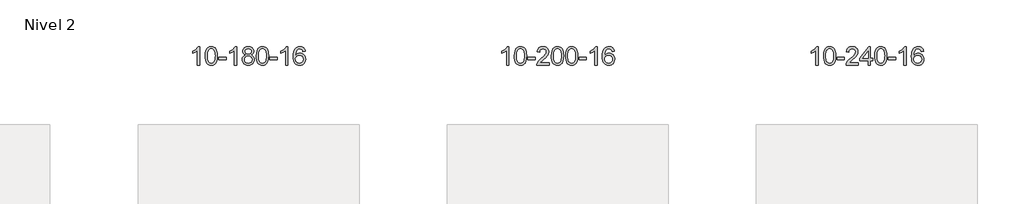
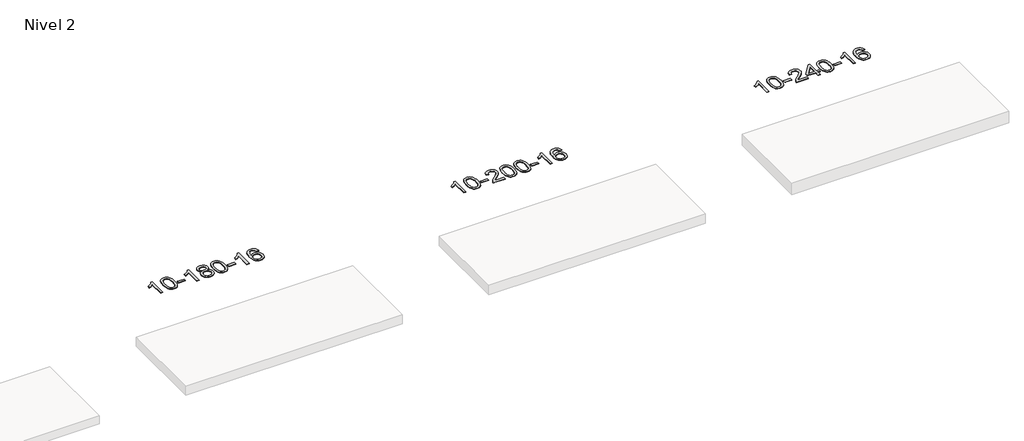
# One storey, part 51 of 51: 3 proxies.
"""IFC4 building model written with IfcOpenShell, lengths in millimetres."""

from ifc_helpers import new_model, si_unit, frame, origin, place, context, project, spatial, polyline, outline, extrude, element, save

model = new_model("IFC4")

# Units and contexts
model_context = context("Model", 3, world=origin())
ifc_project = project(units=[si_unit("LENGTHUNIT", "METRE", prefix="MILLI")], contexts=[model_context])

# Site, building, storey
site = spatial("IfcSite", under=ifc_project)
building = spatial("IfcBuilding", under=site)
storey = spatial("IfcBuildingStorey", under=building, Name="Nivel 2", Elevation=3000.0)

# Proxies
placement = place(None, origin())
element("IfcBuildingElementProxy", 1, Name="Texto de modelo 1", ObjectType="Texto de modelo 1", at=placement, inside=storey, context=model_context, shape_type="SweptSolid", body=[
    extrude(outline(polyline([(44960.4349539, 6619.2174648), (44910.2067988, 6619.2174648), (44910.2067988, 6932.3586191), (44889.2375251, 6915.3992591), (44862.6273941, 6898.4644246), (44809.7504886, 6873.1050924), (44809.7504886, 6920.5863952), (44849.1997013, 6942.0461783), (44883.3759386, 6967.5771887), (44910.3171634, 6994.72688), (44928.0613383, 7021.0427054), (44960.4349539, 7021.0427054), (44960.4349539, 6619.2174648)])), frame((0.0, 0.0, 3000.0), z_axis=(0.0, 0.0, 1.0), x_axis=(1.0, 0.0, 0.0)), (0.0, 0.0, 1.0), 10.0),
    extrude(outline(polyline([(45079.7268222, 6816.8927235), (45083.4179048, 6881.210759), (45094.4911529, 6932.5057719), (45112.8362017, 6971.562577), (45124.6942647, 6986.7959573), (45138.3426867, 6999.1659894), (45153.827453, 7008.7370526), (45171.1945489, 7015.5735264), (45211.5757292, 7021.0427054), (45242.5268678, 7017.8053438), (45270.2406447, 7008.0932591), (45293.4172104, 6992.2865961), (45310.7567151, 6970.7654994), (45323.8533142, 6943.71391), (45334.3011628, 6911.3157689), (45341.1437679, 6870.1742991), (45343.4246363, 6816.8927235), (45339.7703418, 6752.94257), (45328.8074584, 6701.7701845), (45310.5727741, 6662.6765911), (45298.7423023, 6647.3972256), (45285.1030773, 6634.9628142), (45269.5999169, 6625.3273716), (45252.1776388, 6618.4449126), (45211.5757292, 6612.9389454), (45183.9110032, 6615.3301783), (45159.3855369, 6622.5038773), (45137.9993302, 6634.4600421), (45119.7523832, 6651.1986729), (45102.2412003, 6681.456967), (45089.7332124, 6719.1587401), (45082.2284197, 6764.3039923), (45079.7268222, 6816.8927235)]), holes=[polyline([(45129.9549772, 6816.9908254), (45131.4265052, 6773.3262982), (45135.8410892, 6737.9820355), (45143.1987291, 6710.9580373), (45153.4994249, 6692.2543035), (45165.9583618, 6679.5286522), (45179.7907249, 6670.4389012), (45194.996514, 6664.9850506), (45211.5757292, 6663.1671005), (45228.1549445, 6664.991182), (45243.3607336, 6670.4634267), (45257.1930966, 6679.5838345), (45269.6520335, 6692.3524054), (45279.9527294, 6711.086796), (45287.3103693, 6738.1046629), (45291.7249533, 6773.406006), (45293.1964812, 6816.9908254), (45291.7740042, 6859.4995899), (45287.506573, 6894.2215189), (45280.3941878, 6921.1566123), (45270.4368485, 6940.3048702), (45258.186378, 6953.6528552), (45244.1945995, 6963.1871303), (45228.4615128, 6968.9076953), (45210.987118, 6970.8145503), (45194.4937419, 6969.1345558), (45179.5454702, 6964.0945725), (45166.1423028, 6955.6946003), (45154.2842399, 6943.9346392), (45143.6401875, 6923.0879928), (45136.0372929, 6894.9818083), (45131.4755562, 6859.6160859), (45129.9549772, 6816.9908254)])]), frame((0.0, 0.0, 3000.0), z_axis=(0.0, 0.0, 1.0), x_axis=(1.0, 0.0, 0.0)), (0.0, 0.0, 1.0), 10.0),
    extrude(outline(polyline([(45374.8172332, 6738.5093331), (45374.8172332, 6788.7374881), (45531.7802178, 6788.7374881), (45531.7802178, 6738.5093331), (45374.8172332, 6738.5093331)])), frame((0.0, 0.0, 3000.0), z_axis=(0.0, 0.0, 1.0), x_axis=(1.0, 0.0, 0.0)), (0.0, 0.0, 1.0), 10.0),
    extrude(outline(polyline([(45764.0854351, 6619.2174648), (45713.85728, 6619.2174648), (45713.85728, 6932.3586191), (45692.8880063, 6915.3992591), (45666.2778753, 6898.4644246), (45613.4009698, 6873.1050924), (45613.4009698, 6920.5863952), (45652.8501824, 6942.0461783), (45687.0264198, 6967.5771887), (45713.9676446, 6994.72688), (45731.7118195, 7021.0427054), (45764.0854351, 7021.0427054), (45764.0854351, 6619.2174648)])), frame((0.0, 0.0, 3000.0), z_axis=(0.0, 0.0, 1.0), x_axis=(1.0, 0.0, 0.0)), (0.0, 0.0, 1.0), 10.0),
    extrude(outline(polyline([(45956.5612949, 6840.5352731), (45929.6691211, 6853.7790249), (45910.7967747, 6871.7316663), (45899.6499503, 6894.0253152), (45895.9343421, 6920.2920896), (45897.9576931, 6940.7769854), (45904.027746, 6959.5573612), (45914.1445009, 6976.6332172), (45928.3079577, 6992.0045532), (45945.8375348, 7004.7087448), (45966.0526504, 7013.7831673), (45988.9533046, 7019.2278209), (46014.5394974, 7021.0427054), (46040.2483175, 7019.1849013), (46063.3206499, 7013.6114891), (46083.7564948, 7004.3224687), (46101.555852, 6991.3178402), (46115.9768262, 6975.6460672), (46126.277522, 6958.3556134), (46132.4579396, 6939.4464788), (46134.5180787, 6918.9186635), (46130.8515215, 6893.4980176), (46119.8518499, 6871.5845135), (46101.3964364, 6853.7422367), (46075.3626539, 6840.5352731), (46106.2770042, 6824.6059827), (46128.7791196, 6801.1473741), (46142.501118, 6771.2876188), (46147.0751175, 6736.1548883), (46144.8065119, 6711.1021244), (46138.000695, 6688.1340252), (46126.6576668, 6667.2505906), (46110.7774273, 6648.4518206), (46091.1938424, 6632.9149377), (46068.740778, 6621.8171642), (46043.418234, 6615.1585001), (46015.2262104, 6612.9389454), (45987.0341869, 6615.1676971), (45961.7116429, 6621.8539524), (45939.2585784, 6632.9977112), (45919.6749936, 6648.5989734), (45903.7947541, 6667.5295678), (45892.4517259, 6688.6613227), (45885.645909, 6711.9942383), (45883.3773034, 6737.5283144), (45888.1352438, 6774.0222083), (45902.4090652, 6804.0413791), (45925.4630036, 6826.5557572), (45956.5612949, 6840.5352731)]), holes=[polyline([(45946.1624972, 6918.8205616), (45950.6138693, 6896.8947947), (45963.9679858, 6879.3836118), (45985.832439, 6867.9056935), (46015.8148216, 6864.0797208), (46045.0982284, 6867.881168), (46066.6315879, 6879.2855099), (46079.8753397, 6896.2080817), (46084.2899237, 6916.5642187), (46079.7281869, 6937.692908), (46066.0429767, 6955.1673028), (46044.2153117, 6966.9027384), (46015.2262104, 6970.8145503), (45986.0531682, 6966.9885775), (45964.2622914, 6955.5106593), (45950.6874457, 6938.6861894), (45946.1624972, 6918.8205616)]), polyline([(45933.6054584, 6739.294148), (45935.7023858, 6720.0784451), (45941.9931679, 6701.4758789), (45953.6059762, 6685.2522829), (45971.6689822, 6673.1734907), (45993.3004435, 6665.668698), (46015.6186179, 6663.1671005), (46049.807118, 6668.427813), (46063.7007947, 6675.0037036), (46075.4607558, 6684.2099506), (46091.5004108, 6708.1100175), (46096.8469624, 6737.7245181), (46091.3287325, 6767.8417908), (46074.7740427, 6792.2691553), (46062.6952505, 6801.7114598), (46048.5317937, 6808.4559631), (46013.9508862, 6813.8515657), (45980.2406327, 6808.5295395), (45966.5033059, 6801.8770067), (45954.8445123, 6792.5634609), (45938.9152219, 6768.6020803), (45933.6054584, 6739.294148)])]), frame((0.0, 0.0, 3000.0), z_axis=(0.0, 0.0, 1.0), x_axis=(1.0, 0.0, 0.0)), (0.0, 0.0, 1.0), 10.0),
    extrude(outline(polyline([(46191.0247532, 6816.8927235), (46194.7158359, 6881.210759), (46205.7890839, 6932.5057719), (46224.1341328, 6971.562577), (46235.9921957, 6986.7959573), (46249.6406178, 6999.1659894), (46265.1253841, 7008.7370526), (46282.4924799, 7015.5735264), (46322.8736603, 7021.0427054), (46353.8247988, 7017.8053438), (46381.5385758, 7008.0932591), (46404.7151415, 6992.2865961), (46422.0546462, 6970.7654994), (46435.1512452, 6943.71391), (46445.5990939, 6911.3157689), (46452.441699, 6870.1742991), (46454.7225673, 6816.8927235), (46451.0682729, 6752.94257), (46440.1053894, 6701.7701845), (46421.8707052, 6662.6765911), (46410.0402333, 6647.3972256), (46396.4010084, 6634.9628142), (46380.897848, 6625.3273716), (46363.4755698, 6618.4449126), (46322.8736603, 6612.9389454), (46295.2089342, 6615.3301783), (46270.6834679, 6622.5038773), (46249.2972612, 6634.4600421), (46231.0503143, 6651.1986729), (46213.5391313, 6681.456967), (46201.0311435, 6719.1587401), (46193.5263508, 6764.3039923), (46191.0247532, 6816.8927235)]), holes=[polyline([(46241.2529083, 6816.9908254), (46242.7244362, 6773.3262982), (46247.1390202, 6737.9820355), (46254.4966601, 6710.9580373), (46264.797356, 6692.2543035), (46277.2562929, 6679.5286522), (46291.0886559, 6670.4389012), (46306.294445, 6664.9850506), (46322.8736603, 6663.1671005), (46339.4528755, 6664.991182), (46354.6586646, 6670.4634267), (46368.4910277, 6679.5838345), (46380.9499646, 6692.3524054), (46391.2506604, 6711.086796), (46398.6083003, 6738.1046629), (46403.0228843, 6773.406006), (46404.4944123, 6816.9908254), (46403.0719352, 6859.4995899), (46398.8045041, 6894.2215189), (46391.6921188, 6921.1566123), (46381.7347795, 6940.3048702), (46369.4843091, 6953.6528552), (46355.4925305, 6963.1871303), (46339.7594438, 6968.9076953), (46322.2850491, 6970.8145503), (46305.791673, 6969.1345558), (46290.8434012, 6964.0945725), (46277.4402339, 6955.6946003), (46265.5821709, 6943.9346392), (46254.9381185, 6923.0879928), (46247.3352239, 6894.9818083), (46242.7734872, 6859.6160859), (46241.2529083, 6816.9908254)])]), frame((0.0, 0.0, 3000.0), z_axis=(0.0, 0.0, 1.0), x_axis=(1.0, 0.0, 0.0)), (0.0, 0.0, 1.0), 10.0),
    extrude(outline(polyline([(46486.1151643, 6738.5093331), (46486.1151643, 6788.7374881), (46643.0781489, 6788.7374881), (46643.0781489, 6738.5093331), (46486.1151643, 6738.5093331)])), frame((0.0, 0.0, 3000.0), z_axis=(0.0, 0.0, 1.0), x_axis=(1.0, 0.0, 0.0)), (0.0, 0.0, 1.0), 10.0),
    extrude(outline(polyline([(46875.3833661, 6619.2174648), (46825.155211, 6619.2174648), (46825.155211, 6932.3586191), (46804.1859373, 6915.3992591), (46777.5758063, 6898.4644246), (46724.6989009, 6873.1050924), (46724.6989009, 6920.5863952), (46764.1481135, 6942.0461783), (46798.3243508, 6967.5771887), (46825.2655756, 6994.72688), (46843.0097505, 7021.0427054), (46875.3833661, 7021.0427054), (46875.3833661, 6619.2174648)])), frame((0.0, 0.0, 3000.0), z_axis=(0.0, 0.0, 1.0), x_axis=(1.0, 0.0, 0.0)), (0.0, 0.0, 1.0), 10.0),
    extrude(outline(polyline([(47252.0945291, 6914.3078758), (47201.8663741, 6908.0293564), (47193.7729702, 6932.9227048), (47182.8346122, 6949.918853), (47160.050454, 6965.590626), (47132.5083552, 6970.8145503), (47109.1601113, 6967.7733925), (47087.1852934, 6958.649919), (47068.3129471, 6939.4342161), (47052.8986915, 6912.9835006), (47042.487631, 6875.5699017), (47038.6248701, 6823.4655485), (47058.7725407, 6846.973208), (47082.9178623, 6863.5401605), (47109.7119343, 6873.3626098), (47137.805856, 6876.6367595), (47161.9389149, 6874.3988107), (47184.2080383, 6867.6849643), (47204.6132263, 6856.4952203), (47223.1544789, 6840.8295787), (47238.5626031, 6821.6200071), (47249.5684061, 6799.7984735), (47256.1718879, 6775.3649776), (47258.3730485, 6748.3195196), (47254.2282447, 6712.3529232), (47241.7938333, 6679.0105517), (47222.0998838, 6650.732689), (47196.1764659, 6629.959619), (47165.2008019, 6617.1941138), (47130.3501142, 6612.9389454), (47100.4075855, 6615.759374), (47073.3651932, 6624.2206599), (47049.2229372, 6638.322803), (47027.9808177, 6658.0658035), (47010.6627728, 6684.283527), (46998.2927407, 6717.8098395), (46990.8707214, 6758.6447409), (46988.396715, 6806.7882314), (46991.1435672, 6860.7626514), (46999.3841239, 6906.8276086), (47013.1183851, 6944.9831029), (47032.3463507, 6975.2291342), (47053.1868657, 6995.2725716), (47077.3505814, 7009.5893126), (47104.8374978, 7018.1793572), (47135.6476149, 7021.0427054), (47158.7812611, 7019.2707404), (47179.719878, 7013.9548456), (47198.4634656, 7005.0950209), (47215.012024, 6992.6912663), (47228.9179635, 6977.1605147), (47239.7336941, 6958.9196991), (47247.459216, 6937.9688195), (47252.0945291, 6914.3078758)]), holes=[polyline([(47038.6248701, 6749.1043345), (47041.5311378, 6726.8474738), (47050.2499411, 6705.5961572), (47063.7879986, 6687.3246848), (47081.1520287, 6674.0073566), (47102.1090397, 6665.8771645), (47126.4260396, 6663.1671005), (47159.5722074, 6668.7834322), (47173.4873438, 6675.803847), (47185.6305154, 6685.6324276), (47195.4805558, 6697.8706353), (47202.5162989, 6712.1199313), (47208.1448935, 6746.6517879), (47202.5898753, 6779.7979557), (47195.6461027, 6793.4187865), (47185.9248209, 6805.0714487), (47173.7448612, 6814.4064544), (47159.4250546, 6821.0743155), (47124.3659004, 6826.4086044), (47091.2687836, 6821.0743155), (47063.5917948, 6805.0714487), (47052.6687652, 6793.5720707), (47044.8666013, 6780.4110923), (47040.1853029, 6765.5885136), (47038.6248701, 6749.1043345)])]), frame((0.0, 0.0, 3000.0), z_axis=(0.0, 0.0, 1.0), x_axis=(1.0, 0.0, 0.0)), (0.0, 0.0, 1.0), 10.0),
])
element("IfcBuildingElementProxy", 2, Name="Texto de modelo 1", ObjectType="Texto de modelo 1", at=placement, inside=storey, context=model_context, shape_type="SweptSolid", body=[
    extrude(outline(polyline([(51675.3754887, 6619.2174648), (51625.1473336, 6619.2174648), (51625.1473336, 6932.3586191), (51604.1780599, 6915.3992591), (51577.5679289, 6898.4644246), (51524.6910235, 6873.1050924), (51524.6910235, 6920.5863952), (51564.1402361, 6942.0461783), (51598.3164734, 6967.5771887), (51625.2576982, 6994.72688), (51643.0018731, 7021.0427054), (51675.3754887, 7021.0427054), (51675.3754887, 6619.2174648)])), frame((0.0, 0.0, 3000.0), z_axis=(0.0, 0.0, 1.0), x_axis=(1.0, 0.0, 0.0)), (0.0, 0.0, 1.0), 10.0),
    extrude(outline(polyline([(51794.667357, 6816.8927235), (51798.3584397, 6881.210759), (51809.4316877, 6932.5057719), (51827.7767366, 6971.562577), (51839.6347995, 6986.7959573), (51853.2832216, 6999.1659894), (51868.7679879, 7008.7370526), (51886.1350837, 7015.5735264), (51926.5162641, 7021.0427054), (51957.4674026, 7017.8053438), (51985.1811796, 7008.0932591), (52008.3577453, 6992.2865961), (52025.69725, 6970.7654994), (52038.793849, 6943.71391), (52049.2416976, 6911.3157689), (52056.0843028, 6870.1742991), (52058.3651711, 6816.8927235), (52054.7108766, 6752.94257), (52043.7479932, 6701.7701845), (52025.513309, 6662.6765911), (52013.6828371, 6647.3972256), (52000.0436122, 6634.9628142), (51984.5404517, 6625.3273716), (51967.1181736, 6618.4449126), (51926.5162641, 6612.9389454), (51898.851538, 6615.3301783), (51874.3260717, 6622.5038773), (51852.939865, 6634.4600421), (51834.6929181, 6651.1986729), (51817.1817351, 6681.456967), (51804.6737473, 6719.1587401), (51797.1689546, 6764.3039923), (51794.667357, 6816.8927235)]), holes=[polyline([(51844.8955121, 6816.9908254), (51846.36704, 6773.3262982), (51850.781624, 6737.9820355), (51858.1392639, 6710.9580373), (51868.4399598, 6692.2543035), (51880.8988967, 6679.5286522), (51894.7312597, 6670.4389012), (51909.9370488, 6664.9850506), (51926.5162641, 6663.1671005), (51943.0954793, 6664.991182), (51958.3012684, 6670.4634267), (51972.1336315, 6679.5838345), (51984.5925684, 6692.3524054), (51994.8932642, 6711.086796), (52002.2509041, 6738.1046629), (52006.6654881, 6773.406006), (52008.1370161, 6816.9908254), (52006.714539, 6859.4995899), (52002.4471079, 6894.2215189), (51995.3347226, 6921.1566123), (51985.3773833, 6940.3048702), (51973.1269128, 6953.6528552), (51959.1351343, 6963.1871303), (51943.4020476, 6968.9076953), (51925.9276529, 6970.8145503), (51909.4342767, 6969.1345558), (51894.486005, 6964.0945725), (51881.0828377, 6955.6946003), (51869.2247747, 6943.9346392), (51858.5807223, 6923.0879928), (51850.9778277, 6894.9818083), (51846.416091, 6859.6160859), (51844.8955121, 6816.9908254)])]), frame((0.0, 0.0, 3000.0), z_axis=(0.0, 0.0, 1.0), x_axis=(1.0, 0.0, 0.0)), (0.0, 0.0, 1.0), 10.0),
    extrude(outline(polyline([(52089.7577681, 6738.5093331), (52089.7577681, 6788.7374881), (52246.7207527, 6788.7374881), (52246.7207527, 6738.5093331), (52089.7577681, 6738.5093331)])), frame((0.0, 0.0, 3000.0), z_axis=(0.0, 0.0, 1.0), x_axis=(1.0, 0.0, 0.0)), (0.0, 0.0, 1.0), 10.0),
    extrude(outline(polyline([(52548.0896831, 6669.4456198), (52548.0896831, 6619.2174648), (52284.391869, 6619.2174648), (52285.495515, 6636.900326), (52289.7874716, 6653.8474232), (52302.1728321, 6680.9112754), (52320.2971517, 6707.1657871), (52346.5148752, 6734.6465721), (52383.1804474, 6765.3892442), (52437.381728, 6813.5327346), (52469.9024964, 6849.0701353), (52486.1628806, 6877.9120838), (52491.5830087, 6905.9692173), (52486.4694489, 6931.120083), (52471.1287697, 6952.0280431), (52447.5475338, 6966.1179235), (52417.712304, 6970.8145503), (52386.3810208, 6966.2282881), (52362.0394954, 6952.4695015), (52346.3309342, 6930.6173109), (52340.8985434, 6901.7508371), (52290.6703884, 6908.0293564), (52294.9899361, 6933.9589057), (52302.8472824, 6956.6143053), (52314.2424272, 6975.9955551), (52329.1753705, 6992.1026551), (52347.3027558, 7004.7639271), (52368.2812266, 7013.8076928), (52392.1107828, 7019.2339522), (52418.7914245, 7021.0427054), (52445.7111895, 7019.0316171), (52469.6695045, 7012.9983524), (52490.6663693, 7002.9429112), (52508.7017842, 6988.8652935), (52523.1871377, 6971.8078317), (52533.5338188, 6952.812858), (52539.7418275, 6931.8803725), (52541.8111637, 6909.0103751), (52539.5793463, 6884.9876808), (52532.883894, 6861.3819195), (52521.0013055, 6837.3714879), (52503.2080797, 6812.134783), (52474.8443779, 6782.0052476), (52431.2503614, 6743.3163245), (52373.4683627, 6695.0011558), (52350.8068318, 6669.4456198), (52548.0896831, 6669.4456198)])), frame((0.0, 0.0, 3000.0), z_axis=(0.0, 0.0, 1.0), x_axis=(1.0, 0.0, 0.0)), (0.0, 0.0, 1.0), 10.0),
    extrude(outline(polyline([(52598.3178382, 6816.8927235), (52602.0089209, 6881.210759), (52613.0821689, 6932.5057719), (52631.4272178, 6971.562577), (52643.2852807, 6986.7959573), (52656.9337027, 6999.1659894), (52672.4184691, 7008.7370526), (52689.7855649, 7015.5735264), (52730.1667453, 7021.0427054), (52761.1178838, 7017.8053438), (52788.8316608, 7008.0932591), (52812.0082264, 6992.2865961), (52829.3477312, 6970.7654994), (52842.4443302, 6943.71391), (52852.8921788, 6911.3157689), (52859.734784, 6870.1742991), (52862.0156523, 6816.8927235), (52858.3613578, 6752.94257), (52847.3984744, 6701.7701845), (52829.1637902, 6662.6765911), (52817.3333183, 6647.3972256), (52803.6940934, 6634.9628142), (52788.1909329, 6625.3273716), (52770.7686548, 6618.4449126), (52730.1667453, 6612.9389454), (52702.5020192, 6615.3301783), (52677.9765529, 6622.5038773), (52656.5903462, 6634.4600421), (52638.3433993, 6651.1986729), (52620.8322163, 6681.456967), (52608.3242285, 6719.1587401), (52600.8194358, 6764.3039923), (52598.3178382, 6816.8927235)]), holes=[polyline([(52648.5459933, 6816.9908254), (52650.0175212, 6773.3262982), (52654.4321052, 6737.9820355), (52661.7897451, 6710.9580373), (52672.090441, 6692.2543035), (52684.5493779, 6679.5286522), (52698.3817409, 6670.4389012), (52713.58753, 6664.9850506), (52730.1667453, 6663.1671005), (52746.7459605, 6664.991182), (52761.9517496, 6670.4634267), (52775.7841127, 6679.5838345), (52788.2430496, 6692.3524054), (52798.5437454, 6711.086796), (52805.9013853, 6738.1046629), (52810.3159693, 6773.406006), (52811.7874973, 6816.9908254), (52810.3650202, 6859.4995899), (52806.0975891, 6894.2215189), (52798.9852038, 6921.1566123), (52789.0278645, 6940.3048702), (52776.777394, 6953.6528552), (52762.7856155, 6963.1871303), (52747.0525288, 6968.9076953), (52729.5781341, 6970.8145503), (52713.0847579, 6969.1345558), (52698.1364862, 6964.0945725), (52684.7333189, 6955.6946003), (52672.8752559, 6943.9346392), (52662.2312035, 6923.0879928), (52654.6283089, 6894.9818083), (52650.0665722, 6859.6160859), (52648.5459933, 6816.9908254)])]), frame((0.0, 0.0, 3000.0), z_axis=(0.0, 0.0, 1.0), x_axis=(1.0, 0.0, 0.0)), (0.0, 0.0, 1.0), 10.0),
    extrude(outline(polyline([(52905.965288, 6816.8927235), (52909.6563707, 6881.210759), (52920.7296188, 6932.5057719), (52939.0746676, 6971.562577), (52950.9327306, 6986.7959573), (52964.5811526, 6999.1659894), (52980.0659189, 7008.7370526), (52997.4330148, 7015.5735264), (53037.8141951, 7021.0427054), (53068.7653336, 7017.8053438), (53096.4791106, 7008.0932591), (53119.6556763, 6992.2865961), (53136.995181, 6970.7654994), (53150.09178, 6943.71391), (53160.5396287, 6911.3157689), (53167.3822338, 6870.1742991), (53169.6631022, 6816.8927235), (53166.0088077, 6752.94257), (53155.0459242, 6701.7701845), (53136.81124, 6662.6765911), (53124.9807682, 6647.3972256), (53111.3415432, 6634.9628142), (53095.8383828, 6625.3273716), (53078.4161046, 6618.4449126), (53037.8141951, 6612.9389454), (53010.1494691, 6615.3301783), (52985.6240027, 6622.5038773), (52964.2377961, 6634.4600421), (52945.9908491, 6651.1986729), (52928.4796661, 6681.456967), (52915.9716783, 6719.1587401), (52908.4668856, 6764.3039923), (52905.965288, 6816.8927235)]), holes=[polyline([(52956.1934431, 6816.9908254), (52957.6649711, 6773.3262982), (52962.079555, 6737.9820355), (52969.4371949, 6710.9580373), (52979.7378908, 6692.2543035), (52992.1968277, 6679.5286522), (53006.0291907, 6670.4389012), (53021.2349798, 6664.9850506), (53037.8141951, 6663.1671005), (53054.3934103, 6664.991182), (53069.5991995, 6670.4634267), (53083.4315625, 6679.5838345), (53095.8904994, 6692.3524054), (53106.1911953, 6711.086796), (53113.5488352, 6738.1046629), (53117.9634191, 6773.406006), (53119.4349471, 6816.9908254), (53118.01247, 6859.4995899), (53113.7450389, 6894.2215189), (53106.6326537, 6921.1566123), (53096.6753143, 6940.3048702), (53084.4248439, 6953.6528552), (53070.4330653, 6963.1871303), (53054.6999787, 6968.9076953), (53037.2255839, 6970.8145503), (53020.7322078, 6969.1345558), (53005.783936, 6964.0945725), (52992.3807687, 6955.6946003), (52980.5227057, 6943.9346392), (52969.8786533, 6923.0879928), (52962.2757587, 6894.9818083), (52957.714022, 6859.6160859), (52956.1934431, 6816.9908254)])]), frame((0.0, 0.0, 3000.0), z_axis=(0.0, 0.0, 1.0), x_axis=(1.0, 0.0, 0.0)), (0.0, 0.0, 1.0), 10.0),
    extrude(outline(polyline([(53201.0556991, 6738.5093331), (53201.0556991, 6788.7374881), (53358.0186837, 6788.7374881), (53358.0186837, 6738.5093331), (53201.0556991, 6738.5093331)])), frame((0.0, 0.0, 3000.0), z_axis=(0.0, 0.0, 1.0), x_axis=(1.0, 0.0, 0.0)), (0.0, 0.0, 1.0), 10.0),
    extrude(outline(polyline([(53590.3239009, 6619.2174648), (53540.0957458, 6619.2174648), (53540.0957458, 6932.3586191), (53519.1264721, 6915.3992591), (53492.5163411, 6898.4644246), (53439.6394357, 6873.1050924), (53439.6394357, 6920.5863952), (53479.0886483, 6942.0461783), (53513.2648857, 6967.5771887), (53540.2061104, 6994.72688), (53557.9502853, 7021.0427054), (53590.3239009, 7021.0427054), (53590.3239009, 6619.2174648)])), frame((0.0, 0.0, 3000.0), z_axis=(0.0, 0.0, 1.0), x_axis=(1.0, 0.0, 0.0)), (0.0, 0.0, 1.0), 10.0),
    extrude(outline(polyline([(53967.035064, 6914.3078758), (53916.8069089, 6908.0293564), (53908.713505, 6932.9227048), (53897.775147, 6949.918853), (53874.9909888, 6965.590626), (53847.4488901, 6970.8145503), (53824.1006461, 6967.7733925), (53802.1258283, 6958.649919), (53783.2534819, 6939.4342161), (53767.8392263, 6912.9835006), (53757.4281659, 6875.5699017), (53753.5654049, 6823.4655485), (53773.7130755, 6846.973208), (53797.8583971, 6863.5401605), (53824.6524691, 6873.3626098), (53852.7463908, 6876.6367595), (53876.8794497, 6874.3988107), (53899.1485731, 6867.6849643), (53919.5537611, 6856.4952203), (53938.0950137, 6840.8295787), (53953.5031379, 6821.6200071), (53964.5089409, 6799.7984735), (53971.1124228, 6775.3649776), (53973.3135834, 6748.3195196), (53969.1687795, 6712.3529232), (53956.7343681, 6679.0105517), (53937.0404186, 6650.732689), (53911.1170007, 6629.959619), (53880.1413367, 6617.1941138), (53845.290649, 6612.9389454), (53815.3481203, 6615.759374), (53788.305728, 6624.2206599), (53764.163472, 6638.322803), (53742.9213525, 6658.0658035), (53725.6033076, 6684.283527), (53713.2332755, 6717.8098395), (53705.8112562, 6758.6447409), (53703.3372498, 6806.7882314), (53706.0841021, 6860.7626514), (53714.3246588, 6906.8276086), (53728.0589199, 6944.9831029), (53747.2868855, 6975.2291342), (53768.1274005, 6995.2725716), (53792.2911163, 7009.5893126), (53819.7780327, 7018.1793572), (53850.5881498, 7021.0427054), (53873.7217959, 7019.2707404), (53894.6604128, 7013.9548456), (53913.4040004, 7005.0950209), (53929.9525589, 6992.6912663), (53943.8584983, 6977.1605147), (53954.6742289, 6958.9196991), (53962.3997508, 6937.9688195), (53967.035064, 6914.3078758)]), holes=[polyline([(53753.5654049, 6749.1043345), (53756.4716727, 6726.8474738), (53765.190476, 6705.5961572), (53778.7285334, 6687.3246848), (53796.0925635, 6674.0073566), (53817.0495745, 6665.8771645), (53841.3665744, 6663.1671005), (53874.5127422, 6668.7834322), (53888.4278787, 6675.803847), (53900.5710502, 6685.6324276), (53910.4210906, 6697.8706353), (53917.4568338, 6712.1199313), (53923.0854283, 6746.6517879), (53917.5304102, 6779.7979557), (53910.5866375, 6793.4187865), (53900.8653558, 6805.0714487), (53888.685396, 6814.4064544), (53874.3655894, 6821.0743155), (53839.3064352, 6826.4086044), (53806.2093184, 6821.0743155), (53778.5323296, 6805.0714487), (53767.6093001, 6793.5720707), (53759.8071361, 6780.4110923), (53755.1258377, 6765.5885136), (53753.5654049, 6749.1043345)])]), frame((0.0, 0.0, 3000.0), z_axis=(0.0, 0.0, 1.0), x_axis=(1.0, 0.0, 0.0)), (0.0, 0.0, 1.0), 10.0),
])
element("IfcBuildingElementProxy", 3, Name="Texto de modelo 1", ObjectType="Texto de modelo 1", at=placement, inside=storey, context=model_context, shape_type="SweptSolid", body=[
    extrude(outline(polyline([(58390.3160235, 6619.2174648), (58340.0878684, 6619.2174648), (58340.0878684, 6932.3586191), (58319.1185947, 6915.3992591), (58292.5084637, 6898.4644246), (58239.6315583, 6873.1050924), (58239.6315583, 6920.5863952), (58279.0807709, 6942.0461783), (58313.2570083, 6967.5771887), (58340.198233, 6994.72688), (58357.9424079, 7021.0427054), (58390.3160235, 7021.0427054), (58390.3160235, 6619.2174648)])), frame((0.0, 0.0, 3000.0), z_axis=(0.0, 0.0, 1.0), x_axis=(1.0, 0.0, 0.0)), (0.0, 0.0, 1.0), 10.0),
    extrude(outline(polyline([(58509.6078918, 6816.8927235), (58513.2989745, 6881.210759), (58524.3722226, 6932.5057719), (58542.7172714, 6971.562577), (58554.5753344, 6986.7959573), (58568.2237564, 6999.1659894), (58583.7085227, 7008.7370526), (58601.0756185, 7015.5735264), (58641.4567989, 7021.0427054), (58672.4079374, 7017.8053438), (58700.1217144, 7008.0932591), (58723.2982801, 6992.2865961), (58740.6377848, 6970.7654994), (58753.7343838, 6943.71391), (58764.1822325, 6911.3157689), (58771.0248376, 6870.1742991), (58773.305706, 6816.8927235), (58769.6514115, 6752.94257), (58758.688528, 6701.7701845), (58740.4538438, 6662.6765911), (58728.623372, 6647.3972256), (58714.984147, 6634.9628142), (58699.4809866, 6625.3273716), (58682.0587084, 6618.4449126), (58641.4567989, 6612.9389454), (58613.7920728, 6615.3301783), (58589.2666065, 6622.5038773), (58567.8803998, 6634.4600421), (58549.6334529, 6651.1986729), (58532.1222699, 6681.456967), (58519.6142821, 6719.1587401), (58512.1094894, 6764.3039923), (58509.6078918, 6816.8927235)]), holes=[polyline([(58559.8360469, 6816.9908254), (58561.3075749, 6773.3262982), (58565.7221588, 6737.9820355), (58573.0797987, 6710.9580373), (58583.3804946, 6692.2543035), (58595.8394315, 6679.5286522), (58609.6717945, 6670.4389012), (58624.8775836, 6664.9850506), (58641.4567989, 6663.1671005), (58658.0360141, 6664.991182), (58673.2418033, 6670.4634267), (58687.0741663, 6679.5838345), (58699.5331032, 6692.3524054), (58709.8337991, 6711.086796), (58717.191439, 6738.1046629), (58721.6060229, 6773.406006), (58723.0775509, 6816.9908254), (58721.6550738, 6859.4995899), (58717.3876427, 6894.2215189), (58710.2752574, 6921.1566123), (58700.3179181, 6940.3048702), (58688.0674477, 6953.6528552), (58674.0756691, 6963.1871303), (58658.3425825, 6968.9076953), (58640.8681877, 6970.8145503), (58624.3748116, 6969.1345558), (58609.4265398, 6964.0945725), (58596.0233725, 6955.6946003), (58584.1653095, 6943.9346392), (58573.5212571, 6923.0879928), (58565.9183625, 6894.9818083), (58561.3566258, 6859.6160859), (58559.8360469, 6816.9908254)])]), frame((0.0, 0.0, 3000.0), z_axis=(0.0, 0.0, 1.0), x_axis=(1.0, 0.0, 0.0)), (0.0, 0.0, 1.0), 10.0),
    extrude(outline(polyline([(58804.6983029, 6738.5093331), (58804.6983029, 6788.7374881), (58961.6612875, 6788.7374881), (58961.6612875, 6738.5093331), (58804.6983029, 6738.5093331)])), frame((0.0, 0.0, 3000.0), z_axis=(0.0, 0.0, 1.0), x_axis=(1.0, 0.0, 0.0)), (0.0, 0.0, 1.0), 10.0),
    extrude(outline(polyline([(59263.0302179, 6669.4456198), (59263.0302179, 6619.2174648), (58999.3324038, 6619.2174648), (59000.4360498, 6636.900326), (59004.7280064, 6653.8474232), (59017.1133669, 6680.9112754), (59035.2376865, 6707.1657871), (59061.45541, 6734.6465721), (59098.1209822, 6765.3892442), (59152.3222629, 6813.5327346), (59184.8430312, 6849.0701353), (59201.1034154, 6877.9120838), (59206.5235435, 6905.9692173), (59201.4099837, 6931.120083), (59186.0693045, 6952.0280431), (59162.4880687, 6966.1179235), (59132.6528388, 6970.8145503), (59101.3215556, 6966.2282881), (59076.9800302, 6952.4695015), (59061.271469, 6930.6173109), (59055.8390783, 6901.7508371), (59005.6109232, 6908.0293564), (59009.9304709, 6933.9589057), (59017.7878172, 6956.6143053), (59029.182962, 6975.9955551), (59044.1159053, 6992.1026551), (59062.2432906, 7004.7639271), (59083.2217614, 7013.8076928), (59107.0513177, 7019.2339522), (59133.7319594, 7021.0427054), (59160.6517244, 7019.0316171), (59184.6100393, 7012.9983524), (59205.6069042, 7002.9429112), (59223.642319, 6988.8652935), (59238.1276725, 6971.8078317), (59248.4743537, 6952.812858), (59254.6823623, 6931.8803725), (59256.7516985, 6909.0103751), (59254.5198811, 6884.9876808), (59247.8244288, 6861.3819195), (59235.9418404, 6837.3714879), (59218.1486145, 6812.134783), (59189.7849127, 6782.0052476), (59146.1908963, 6743.3163245), (59088.4088976, 6695.0011558), (59065.7473667, 6669.4456198), (59263.0302179, 6669.4456198)])), frame((0.0, 0.0, 3000.0), z_axis=(0.0, 0.0, 1.0), x_axis=(1.0, 0.0, 0.0)), (0.0, 0.0, 1.0), 10.0),
    extrude(outline(polyline([(59476.499877, 6619.2174648), (59476.499877, 6713.3952555), (59294.4228149, 6713.3952555), (59294.4228149, 6763.6234106), (59489.0569158, 7014.764186), (59526.7280321, 7014.764186), (59526.7280321, 6763.6234106), (59576.9561872, 6763.6234106), (59576.9561872, 6713.3952555), (59526.7280321, 6713.3952555), (59526.7280321, 6619.2174648), (59476.499877, 6619.2174648)]), holes=[polyline([(59476.499877, 6763.6234106), (59476.499877, 6918.8205616), (59356.22699, 6763.6234106), (59476.499877, 6763.6234106)])]), frame((0.0, 0.0, 3000.0), z_axis=(0.0, 0.0, 1.0), x_axis=(1.0, 0.0, 0.0)), (0.0, 0.0, 1.0), 10.0),
    extrude(outline(polyline([(59620.9058228, 6816.8927235), (59624.5969055, 6881.210759), (59635.6701536, 6932.5057719), (59654.0152024, 6971.562577), (59665.8732654, 6986.7959573), (59679.5216874, 6999.1659894), (59695.0064537, 7008.7370526), (59712.3735496, 7015.5735264), (59752.7547299, 7021.0427054), (59783.7058684, 7017.8053438), (59811.4196454, 7008.0932591), (59834.5962111, 6992.2865961), (59851.9357158, 6970.7654994), (59865.0323148, 6943.71391), (59875.4801635, 6911.3157689), (59882.3227686, 6870.1742991), (59884.603637, 6816.8927235), (59880.9493425, 6752.94257), (59869.986459, 6701.7701845), (59851.7517748, 6662.6765911), (59839.921303, 6647.3972256), (59826.282078, 6634.9628142), (59810.7789176, 6625.3273716), (59793.3566394, 6618.4449126), (59752.7547299, 6612.9389454), (59725.0900039, 6615.3301783), (59700.5645375, 6622.5038773), (59679.1783309, 6634.4600421), (59660.9313839, 6651.1986729), (59643.4202009, 6681.456967), (59630.9122131, 6719.1587401), (59623.4074204, 6764.3039923), (59620.9058228, 6816.8927235)]), holes=[polyline([(59671.1339779, 6816.9908254), (59672.6055059, 6773.3262982), (59677.0200898, 6737.9820355), (59684.3777297, 6710.9580373), (59694.6784256, 6692.2543035), (59707.1373625, 6679.5286522), (59720.9697255, 6670.4389012), (59736.1755147, 6664.9850506), (59752.7547299, 6663.1671005), (59769.3339452, 6664.991182), (59784.5397343, 6670.4634267), (59798.3720973, 6679.5838345), (59810.8310342, 6692.3524054), (59821.1317301, 6711.086796), (59828.48937, 6738.1046629), (59832.9039539, 6773.406006), (59834.3754819, 6816.9908254), (59832.9530049, 6859.4995899), (59828.6855737, 6894.2215189), (59821.5731885, 6921.1566123), (59811.6158491, 6940.3048702), (59799.3653787, 6953.6528552), (59785.3736002, 6963.1871303), (59769.6405135, 6968.9076953), (59752.1661187, 6970.8145503), (59735.6727426, 6969.1345558), (59720.7244709, 6964.0945725), (59707.3213035, 6955.6946003), (59695.4632405, 6943.9346392), (59684.8191881, 6923.0879928), (59677.2162936, 6894.9818083), (59672.6545568, 6859.6160859), (59671.1339779, 6816.9908254)])]), frame((0.0, 0.0, 3000.0), z_axis=(0.0, 0.0, 1.0), x_axis=(1.0, 0.0, 0.0)), (0.0, 0.0, 1.0), 10.0),
    extrude(outline(polyline([(59915.9962339, 6738.5093331), (59915.9962339, 6788.7374881), (60072.9592185, 6788.7374881), (60072.9592185, 6738.5093331), (59915.9962339, 6738.5093331)])), frame((0.0, 0.0, 3000.0), z_axis=(0.0, 0.0, 1.0), x_axis=(1.0, 0.0, 0.0)), (0.0, 0.0, 1.0), 10.0),
    extrude(outline(polyline([(60305.2644357, 6619.2174648), (60255.0362807, 6619.2174648), (60255.0362807, 6932.3586191), (60234.0670069, 6915.3992591), (60207.456876, 6898.4644246), (60154.5799705, 6873.1050924), (60154.5799705, 6920.5863952), (60194.0291831, 6942.0461783), (60228.2054205, 6967.5771887), (60255.1466453, 6994.72688), (60272.8908202, 7021.0427054), (60305.2644357, 7021.0427054), (60305.2644357, 6619.2174648)])), frame((0.0, 0.0, 3000.0), z_axis=(0.0, 0.0, 1.0), x_axis=(1.0, 0.0, 0.0)), (0.0, 0.0, 1.0), 10.0),
    extrude(outline(polyline([(60681.9755988, 6914.3078758), (60631.7474437, 6908.0293564), (60623.6540398, 6932.9227048), (60612.7156818, 6949.918853), (60589.9315236, 6965.590626), (60562.3894249, 6970.8145503), (60539.0411809, 6967.7733925), (60517.0663631, 6958.649919), (60498.1940167, 6939.4342161), (60482.7797611, 6912.9835006), (60472.3687007, 6875.5699017), (60468.5059397, 6823.4655485), (60488.6536103, 6846.973208), (60512.7989319, 6863.5401605), (60539.5930039, 6873.3626098), (60567.6869256, 6876.6367595), (60591.8199845, 6874.3988107), (60614.089108, 6867.6849643), (60634.494296, 6856.4952203), (60653.0355485, 6840.8295787), (60668.4436727, 6821.6200071), (60679.4494758, 6799.7984735), (60686.0529576, 6775.3649776), (60688.2541182, 6748.3195196), (60684.1093144, 6712.3529232), (60671.6749029, 6679.0105517), (60651.9809535, 6650.732689), (60626.0575355, 6629.959619), (60595.0818715, 6617.1941138), (60560.2311839, 6612.9389454), (60530.2886551, 6615.759374), (60503.2462628, 6624.2206599), (60479.1040069, 6638.322803), (60457.8618873, 6658.0658035), (60440.5438424, 6684.283527), (60428.1738103, 6717.8098395), (60420.7517911, 6758.6447409), (60418.2777847, 6806.7882314), (60421.0246369, 6860.7626514), (60429.2651936, 6906.8276086), (60442.9994547, 6944.9831029), (60462.2274203, 6975.2291342), (60483.0679354, 6995.2725716), (60507.2316511, 7009.5893126), (60534.7185675, 7018.1793572), (60565.5286846, 7021.0427054), (60588.6623307, 7019.2707404), (60609.6009476, 7013.9548456), (60628.3445353, 7005.0950209), (60644.8930937, 6992.6912663), (60658.7990331, 6977.1605147), (60669.6147638, 6958.9196991), (60677.3402857, 6937.9688195), (60681.9755988, 6914.3078758)]), holes=[polyline([(60468.5059397, 6749.1043345), (60471.4122075, 6726.8474738), (60480.1310108, 6705.5961572), (60493.6690682, 6687.3246848), (60511.0330984, 6674.0073566), (60531.9901094, 6665.8771645), (60556.3071092, 6663.1671005), (60589.453277, 6668.7834322), (60603.3684135, 6675.803847), (60615.511585, 6685.6324276), (60625.3616254, 6697.8706353), (60632.3973686, 6712.1199313), (60638.0259631, 6746.6517879), (60632.470945, 6779.7979557), (60625.5271723, 6793.4187865), (60615.8058906, 6805.0714487), (60603.6259309, 6814.4064544), (60589.3061242, 6821.0743155), (60554.2469701, 6826.4086044), (60521.1498532, 6821.0743155), (60493.4728645, 6805.0714487), (60482.5498349, 6793.5720707), (60474.7476709, 6780.4110923), (60470.0663725, 6765.5885136), (60468.5059397, 6749.1043345)])]), frame((0.0, 0.0, 3000.0), z_axis=(0.0, 0.0, 1.0), x_axis=(1.0, 0.0, 0.0)), (0.0, 0.0, 1.0), 10.0),
])

save(model, "model.ifc")
